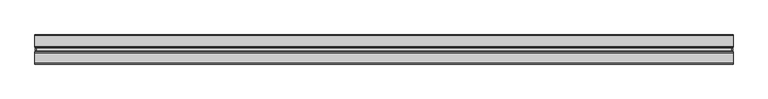
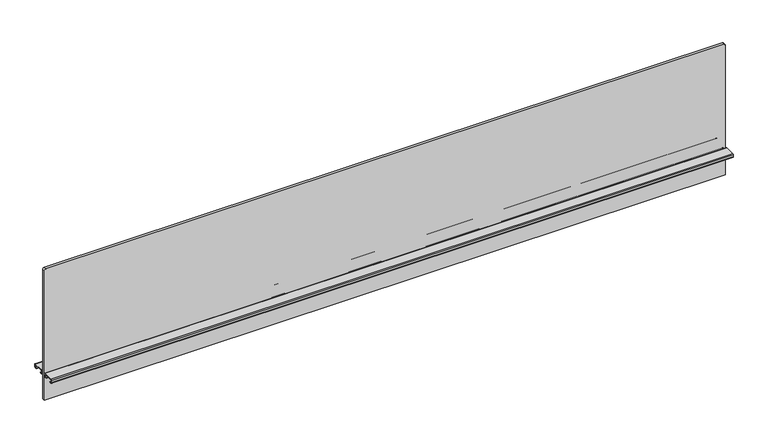
"""IFC4 building model written with IfcOpenShell, lengths in millimetres: furniture geometry."""

from ifc_helpers import new_model, si_unit, point, frame, frame_2d, origin, place, context, project, spatial, polyline, circle_curve, trimmed, segment, composite_curve, outline, extrude, source, transform, mapped, element, save


def furniture_7a82fa2c(model_context):
    return source(origin(), model_context, "Body", "SweptSolid", [
        extrude(outline(composite_curve([segment(polyline([(1670.659613, 909.32), (1670.659613, -909.32)]), True, "CONTINUOUS"), segment(trimmed(circle_curve(frame_2d((1666.849613, -909.32)), 3.81), [point((1670.659613, -909.32))], [point((1666.849613, -913.13))], False, "CARTESIAN"), True, "CONTINUOUS"), segment(polyline([(1666.849613, -913.13), (1299.565613, -913.13), (1299.565613, 913.13), (1666.849613, 913.13)]), True, "CONTINUOUS"), segment(trimmed(circle_curve(frame_2d((1666.849613, 909.32)), 3.81), [point((1666.849613, 913.13))], [point((1670.659613, 909.32))], False, "CARTESIAN"), True, "CONTINUOUS")], self_intersect=False)), frame((0.0, -3.683001, 0.0), z_axis=(0.0, 1.0, 0.0), x_axis=(0.0, 0.0, 1.0)), (0.0, 0.0, 1.0), 7.3660021),
        extrude(outline(composite_curve([segment(polyline([(8.1724496, 1378.8644064), (36.0679996, 1378.8644064)]), True, "CONTINUOUS"), segment(trimmed(circle_curve(frame_2d((36.0679996, 1376.8324064)), 2.032), [point((36.0679996, 1378.8644064))], [point((38.0999996, 1376.8324064))], False, "CARTESIAN"), True, "CONTINUOUS"), segment(polyline([(38.0999996, 1376.8324064), (38.0999996, 1370.7364161)]), True, "CONTINUOUS"), segment(trimmed(circle_curve(frame_2d((36.0679996, 1370.7364161)), 2.032), [point((38.0999996, 1370.7364161))], [point((36.0679996, 1368.7044161))], False, "CARTESIAN"), True, "CONTINUOUS"), segment(polyline([(36.0679996, 1368.7044161), (30.7784504, 1368.7044161), (30.7784504, 1369.6187498), (36.1695996, 1369.6187498)]), True, "CONTINUOUS"), segment(trimmed(circle_curve(frame_2d((36.1695996, 1370.6347498)), 1.016), [point((36.1695996, 1369.6187498))], [point((37.1855996, 1370.6347498))], True, "CARTESIAN"), True, "CONTINUOUS"), segment(polyline([(37.1855996, 1370.6347498), (37.1855996, 1376.934)]), True, "CONTINUOUS"), segment(trimmed(circle_curve(frame_2d((36.1695996, 1376.934)), 1.016), [point((37.1855996, 1376.934))], [point((36.1695996, 1377.95))], True, "CARTESIAN"), True, "CONTINUOUS"), segment(polyline([(36.1695996, 1377.95), (8.0708496, 1377.95)]), True, "CONTINUOUS"), segment(trimmed(circle_curve(frame_2d((8.0708496, 1376.934)), 1.016), [point((8.0708496, 1377.95))], [point((7.0548496, 1376.934))], True, "CARTESIAN"), True, "CONTINUOUS"), segment(polyline([(7.0548496, 1376.934), (7.0548496, 1370.6347498)]), True, "CONTINUOUS"), segment(trimmed(circle_curve(frame_2d((8.0708496, 1370.6347498)), 1.016), [point((7.0548496, 1370.6347498))], [point((8.0708496, 1369.6187498))], True, "CARTESIAN"), True, "CONTINUOUS"), segment(polyline([(8.0708496, 1369.6187498), (13.4619988, 1369.6187498), (13.4619988, 1368.7044161), (8.1724496, 1368.7044161)]), True, "CONTINUOUS"), segment(trimmed(circle_curve(frame_2d((8.1724496, 1370.7364161)), 2.032), [point((8.1724496, 1368.7044161))], [point((6.1404496, 1370.7364161))], False, "CARTESIAN"), True, "CONTINUOUS"), segment(polyline([(6.1404496, 1370.7364161), (6.1404496, 1376.8324064)]), True, "CONTINUOUS"), segment(trimmed(circle_curve(frame_2d((8.1724496, 1376.8324064)), 2.032), [point((6.1404496, 1376.8324064))], [point((8.1724496, 1378.8644064))], False, "CARTESIAN"), True, "CONTINUOUS")], self_intersect=False)), frame((-914.4, 0.0, 0.0), z_axis=(1.0, 0.0, 0.0), x_axis=(0.0, 1.0, 0.0)), (0.0, 0.0, 1.0), 1828.8),
        extrude(outline(composite_curve([segment(trimmed(circle_curve(frame_2d((-8.1724496, 1376.8324064)), 2.032), [point((-8.1724496, 1378.8644064))], [point((-6.1404496, 1376.8324064))], False, "CARTESIAN"), True, "CONTINUOUS"), segment(polyline([(-6.1404496, 1376.8324064), (-6.1404496, 1370.7364161)]), True, "CONTINUOUS"), segment(trimmed(circle_curve(frame_2d((-8.1724496, 1370.7364161)), 2.032), [point((-6.1404496, 1370.7364161))], [point((-8.1724496, 1368.7044161))], False, "CARTESIAN"), True, "CONTINUOUS"), segment(polyline([(-8.1724496, 1368.7044161), (-13.4619988, 1368.7044161), (-13.4619988, 1369.6187498), (-8.0708496, 1369.6187498)]), True, "CONTINUOUS"), segment(trimmed(circle_curve(frame_2d((-8.0708496, 1370.6347498)), 1.016), [point((-8.0708496, 1369.6187498))], [point((-7.0548496, 1370.6347498))], True, "CARTESIAN"), True, "CONTINUOUS"), segment(polyline([(-7.0548496, 1370.6347498), (-7.0548496, 1376.934)]), True, "CONTINUOUS"), segment(trimmed(circle_curve(frame_2d((-8.0708496, 1376.934)), 1.016), [point((-7.0548496, 1376.934))], [point((-8.0708496, 1377.95))], True, "CARTESIAN"), True, "CONTINUOUS"), segment(polyline([(-8.0708496, 1377.95), (-36.1695996, 1377.95)]), True, "CONTINUOUS"), segment(trimmed(circle_curve(frame_2d((-36.1695996, 1376.934)), 1.016), [point((-36.1695996, 1377.95))], [point((-37.1855996, 1376.934))], True, "CARTESIAN"), True, "CONTINUOUS"), segment(polyline([(-37.1855996, 1376.934), (-37.1855996, 1370.6347498)]), True, "CONTINUOUS"), segment(trimmed(circle_curve(frame_2d((-36.1695996, 1370.6347498)), 1.016), [point((-37.1855996, 1370.6347498))], [point((-36.1695996, 1369.6187498))], True, "CARTESIAN"), True, "CONTINUOUS"), segment(polyline([(-36.1695996, 1369.6187498), (-30.7784504, 1369.6187498), (-30.7784504, 1368.7044161), (-36.0679996, 1368.7044161)]), True, "CONTINUOUS"), segment(trimmed(circle_curve(frame_2d((-36.0679996, 1370.7364161)), 2.032), [point((-36.0679996, 1368.7044161))], [point((-38.0999996, 1370.7364161))], False, "CARTESIAN"), True, "CONTINUOUS"), segment(polyline([(-38.0999996, 1370.7364161), (-38.0999996, 1376.8324064)]), True, "CONTINUOUS"), segment(trimmed(circle_curve(frame_2d((-36.0679996, 1376.8324064)), 2.032), [point((-38.0999996, 1376.8324064))], [point((-36.0679996, 1378.8644064))], False, "CARTESIAN"), True, "CONTINUOUS"), segment(polyline([(-36.0679996, 1378.8644064), (-8.1724496, 1378.8644064)]), True, "CONTINUOUS")], self_intersect=False)), frame((-914.4, 0.0, 0.0), z_axis=(1.0, 0.0, 0.0), x_axis=(0.0, 1.0, 0.0)), (0.0, 0.0, 1.0), 1828.8),
    ])


if __name__ == "__main__":
    model = new_model("IFC4")
    model_context = context("Model", 3, world=origin())
    ifc_project = project(units=[si_unit("LENGTHUNIT", "METRE", prefix="MILLI")], contexts=[model_context])
    site = spatial("IfcSite", under=ifc_project)
    building = spatial("IfcBuilding", under=site)
    placement = place(None, origin())
    furniture_shape = furniture_7a82fa2c(model_context)
    element("IfcFurniture", 1, at=placement, inside=building, context=model_context, shape_type="MappedRepresentation", body=[
        mapped(furniture_shape, transform((0.0, 0.0, 0.0), x_axis=(1.0, 0.0, 0.0), y_axis=(0.0, 1.0, 0.0), z_axis=(0.0, 0.0, 1.0))),
    ])
    save(model, "model.ifc")
